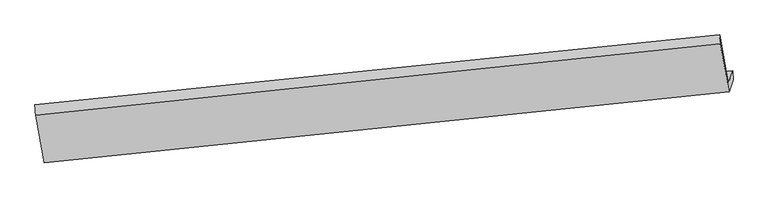
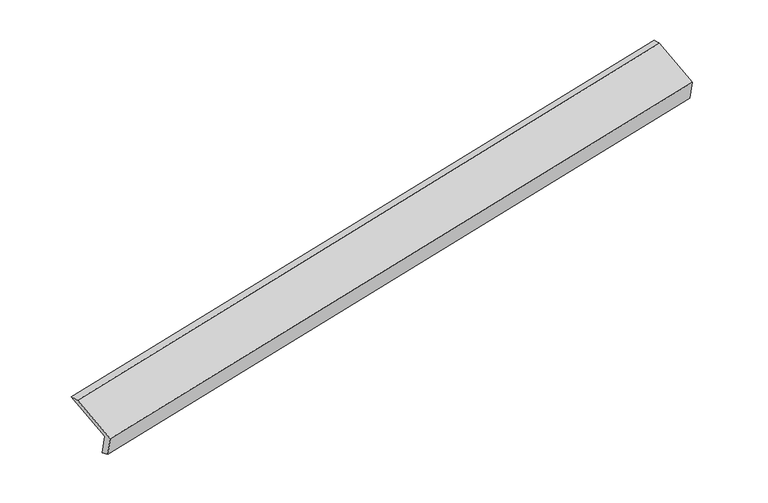
"""IFC4 building model written with IfcOpenShell, lengths in millimetres: proxy geometry."""

from ifc_helpers import new_model, si_unit, frame, origin, place, context, project, spatial, source, transform, mapped, element, save
from ifc_brep_helpers import plane_surface, spline_surface, advanced_brep


def generic_models_438371fa(model_context):
    return source(origin(), model_context, "Body", "AdvancedBrep", [
        advanced_brep(
        [(-7587.728336, -2043.1926979, 604.8686574), (-7647.8406221, -2216.8612794, 1004.2170203), (1962.0961631, -1234.2932135, 2900.077028), (2024.2595686, -1054.698805, 2487.1023125), (-7583.4473744, -2183.1580652, 657.8496013), (2026.8547627, -1185.5347578, 2543.7997036), (-7640.7097771, -2348.593135, 1038.2651246), (1969.59236, -1350.9698276, 2924.2152269), (-7763.4833465, -1683.7026368, 1308.9320404), (1845.1330231, -676.949915, 3198.59859), (-7773.4471844, -1536.6284715, 1281.1295595), (1836.4896007, -554.0604056, 3176.9895672)],
        [
            (0, 1),
            (1, 2),
            (2, 3),
            (3, 0),
            (4, 0),
            (3, 5),
            (5, 4),
            (6, 4),
            (5, 7),
            (7, 6),
            (8, 6),
            (7, 9),
            (9, 8),
            (10, 8),
            (9, 11),
            (11, 10),
            (1, 10),
            (11, 2),
        ],
        [
            plane_surface(frame((-7617.784479, -2130.0269887, 804.5428388), z_axis=(-0.16675207235743544, 0.913131079200922, 0.37200185290111176), x_axis=(-0.13674129786136963, -0.39505513383024715, 0.9084235018390672))),
            spline_surface(1, 1, [[(-7583.4473744, -2183.1580652, 657.8496013), (2026.8547627, -1185.5347578, 2543.7997036)], [(-7587.728336, -2043.1926979, 604.8686574), (2024.2595686, -1054.698805, 2487.1023125)]], [2, 2], [2, 2], [0.0, 1.0], [0.0, 1.0]),
            plane_surface(frame((-7612.0785757, -2265.8756001, 848.0573629), z_axis=(0.16774390121989552, -0.9130284032847452, -0.37180790523984136), x_axis=(0.13674129786135042, 0.39505513383032964, -0.9084235018390343))),
            plane_surface(frame((-7702.0965618, -2016.1478859, 1173.5985825), z_axis=(-0.13723707949861907, -0.39510705207574254, 0.9083261536533597), x_axis=(0.1685767505576225, -0.9129414434830518, -0.3716447227427225))),
            spline_surface(1, 1, [[(-7773.4471844, -1536.6284715, 1281.1295595), (1836.4896007, -554.0604056, 3176.9895672)], [(-7763.4833465, -1683.7026368, 1308.9320404), (1845.1330231, -676.949915, 3198.59859)]], [2, 2], [2, 2], [0.0, 1.0], [0.0, 1.0]),
            plane_surface(frame((-7710.6439033, -1876.7448755, 1142.6732899), z_axis=(0.13872420892178314, 0.39526219493406056, -0.9080327037694923), x_axis=(-0.16857675055759944, 0.91294144348308, 0.3716447227426635))),
            plane_surface(frame((1944.070913, -1009.4178207, 2871.7970714), z_axis=(0.9761576187433187, 0.10231990033903919, 0.19143390860551085), x_axis=(0.1685767505576225, -0.9129414434830518, -0.3716447227427225))),
            plane_surface(frame((-7666.1094401, -2002.0227143, 982.5436672), z_axis=(-0.9761576187433363, -0.10231990033894228, -0.19143390860547196), x_axis=(0.13674129786136147, 0.3950551338302727, -0.9084235018390573))),
        ],
        [
            (0, [[1, 2, 3, 4]]),
            (1, [[5, -4, 6, 7]]),
            (2, [[8, -7, 9, 10]]),
            (3, [[11, -10, 12, 13]]),
            (4, [[14, -13, 15, 16]]),
            (5, [[17, -16, 18, -2]]),
            (6, [[-12, -9, -6, -3, -18, -15]]),
            (7, [[-1, -5, -8, -11, -14, -17]]),
        ],
    ),
    ])


if __name__ == "__main__":
    model = new_model("IFC4")
    model_context = context("Model", 3, world=origin())
    ifc_project = project(units=[si_unit("LENGTHUNIT", "METRE", prefix="MILLI")], contexts=[model_context])
    site = spatial("IfcSite", under=ifc_project)
    building = spatial("IfcBuilding", under=site)
    placement = place(None, origin())
    generic_models_shape = generic_models_438371fa(model_context)
    element("IfcBuildingElementProxy", 1, Name="Generic Models", at=placement, inside=building, context=model_context, shape_type="MappedRepresentation", body=[
        mapped(generic_models_shape, transform((0.0, 0.0, 0.0), x_axis=(1.0, 0.0, 0.0), y_axis=(0.0, 1.0, 0.0), z_axis=(0.0, 0.0, 1.0))),
    ])
    save(model, "model.ifc")
